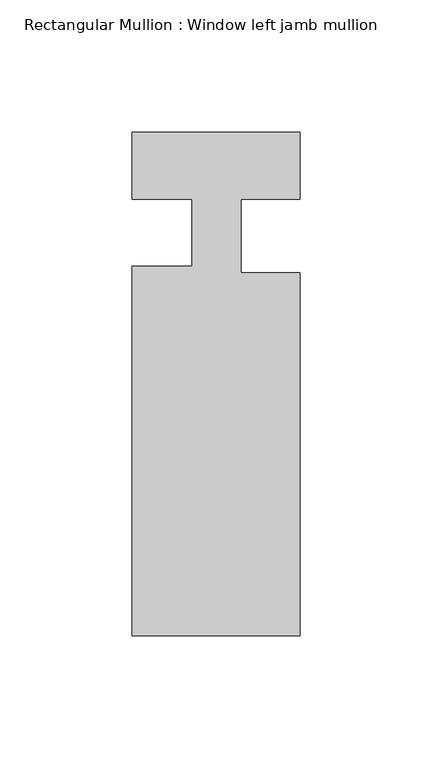
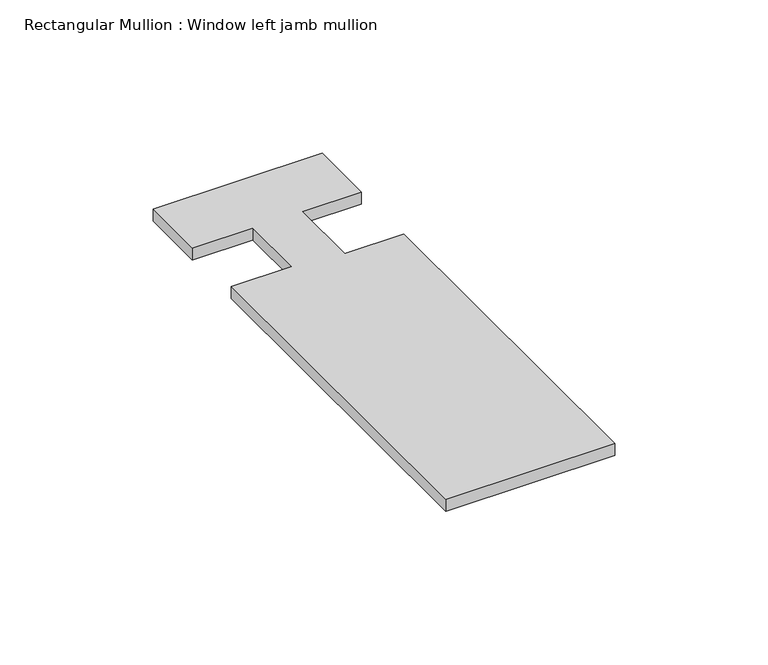
"""IFC4 building model written with IfcOpenShell, lengths in millimetres: member geometry, Rectangular Mullion : Window left jamb mullion."""

from ifc_helpers import new_model, si_unit, frame, origin, place, context, project, spatial, polyline, outline, extrude, source, transform, mapped, element, save


def rectangular_mullion_window_left_jamb_mullion_878b0992(model_context):
    return source(origin(), model_context, "Body", "SweptSolid", [
        extrude(outline(polyline([(31.75, -165.099995), (-31.765875, -165.099995), (-31.765875, -25.3997799), (-9.1090758, -25.3997799), (-9.1090758, 0.0053211), (-31.765875, 0.0053211), (-31.765875, 25.4), (31.75, 25.4), (31.75, 8.81e-05), (9.525, 8.81e-05), (9.525, -27.686), (31.75, -27.686), (31.75, -165.099995)])), frame((0.0, 0.0, -4.7625), z_axis=(0.0, 0.0, 1.0), x_axis=(1.0, 0.0, 0.0)), (0.0, 0.0, 1.0), 4.7625),
    ])


if __name__ == "__main__":
    model = new_model("IFC4")
    model_context = context("Model", 3, world=origin())
    ifc_project = project(units=[si_unit("LENGTHUNIT", "METRE", prefix="MILLI")], contexts=[model_context])
    site = spatial("IfcSite", under=ifc_project)
    building = spatial("IfcBuilding", under=site)
    placement = place(None, origin())
    rectangular_mullion_window_left_jamb_mullion_shape = rectangular_mullion_window_left_jamb_mullion_878b0992(model_context)
    element("IfcMember", 1, ObjectType="Rectangular Mullion : Window left jamb mullion", at=placement, inside=building, context=model_context, shape_type="MappedRepresentation", body=[
        mapped(rectangular_mullion_window_left_jamb_mullion_shape, transform((0.0, 0.0, 0.0), x_axis=(1.0, 0.0, 0.0), y_axis=(0.0, 1.0, 0.0), z_axis=(0.0, 0.0, 1.0))),
    ])
    save(model, "model.ifc")
